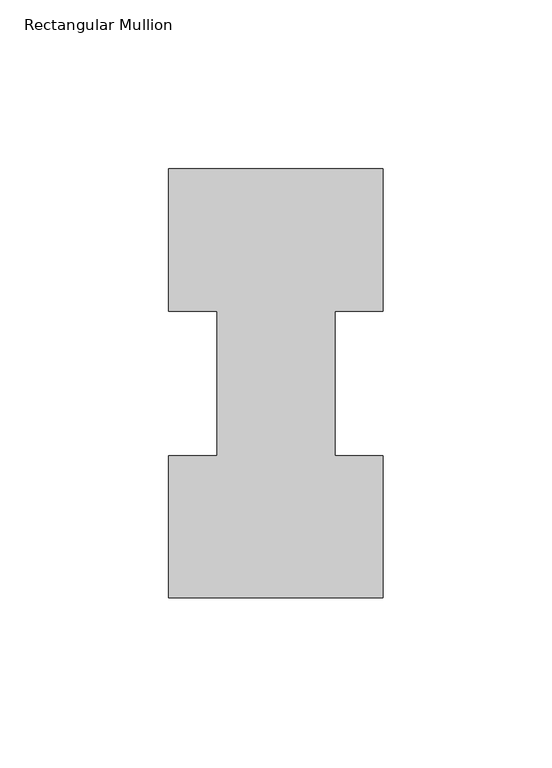
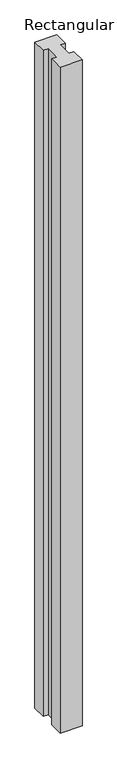
"""IFC4 building model written with IfcOpenShell, lengths in millimetres: member geometry, Rectangular Mullion."""

from ifc_helpers import new_model, si_unit, frame, origin, place, context, project, spatial, polyline, outline, extrude, source, transform, mapped, element, save


def rectangular_mullion_9dd3f46c(model_context):
    return source(origin(), model_context, "Body", "SweptSolid", [
        extrude(outline(polyline([(-31.75, 126.7086937), (31.75, 126.7086937), (31.75, 84.6335937), (17.4625, 84.6335937), (17.4625, 41.7837938), (31.75, 41.7837938), (31.75, -0.2913063), (-31.75, -0.2913063), (-31.75, 41.7837938), (-17.4625, 41.7837938), (-17.4625, 84.6335937), (-31.75, 84.6335937), (-31.75, 126.7086937)])), frame((0.0, 0.0, -2044.7176747), z_axis=(0.0, 0.0, 1.0), x_axis=(1.0, 0.0, 0.0)), (0.0, 0.0, 1.0), 2044.7176747),
    ])


if __name__ == "__main__":
    model = new_model("IFC4")
    model_context = context("Model", 3, world=origin())
    ifc_project = project(units=[si_unit("LENGTHUNIT", "METRE", prefix="MILLI")], contexts=[model_context])
    site = spatial("IfcSite", under=ifc_project)
    building = spatial("IfcBuilding", under=site)
    placement = place(None, origin())
    rectangular_mullion_shape = rectangular_mullion_9dd3f46c(model_context)
    element("IfcMember", 1, ObjectType="Rectangular Mullion", at=placement, inside=building, context=model_context, shape_type="MappedRepresentation", body=[
        mapped(rectangular_mullion_shape, transform((0.0, 0.0, 0.0), x_axis=(1.0, 0.0, 0.0), y_axis=(0.0, 1.0, 0.0), z_axis=(0.0, 0.0, 1.0))),
    ])
    save(model, "model.ifc")
